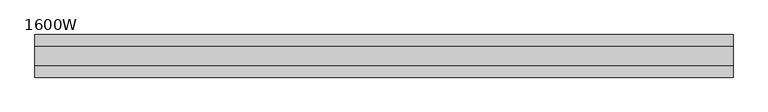
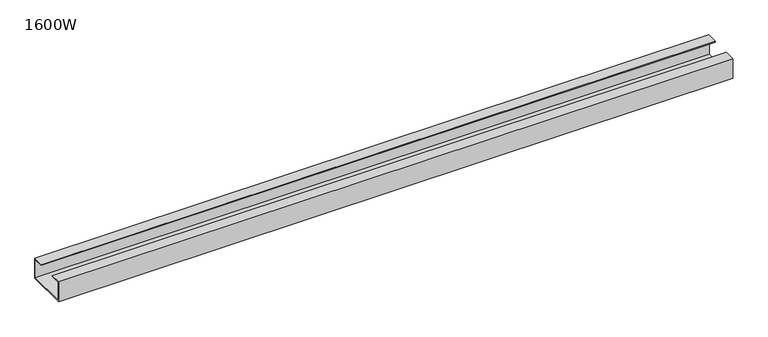
"""IFC4 building model written with IfcOpenShell, lengths in millimetres: furniture geometry, 1600W."""

from ifc_helpers import new_model, si_unit, frame, origin, place, context, project, spatial, polyline, outline, extrude, source, transform, mapped, element, save


def furniture_1600w_3caea36b(model_context):
    return source(origin(), model_context, "Body", "SweptSolid", [
        extrude(outline(polyline([(-47.3, 667.0), (-47.3, 715.0), (-22.0, 715.0), (-22.0, 713.0), (-45.3, 713.0), (-45.3, 669.0), (45.3, 669.0), (45.3, 713.0), (22.0, 713.0), (22.0, 715.0), (47.3, 715.0), (47.3, 667.0), (-47.3, 667.0)])), frame((-775.0, 0.0, 0.0), z_axis=(1.0, 0.0, 0.0), x_axis=(0.0, 1.0, 0.0)), (0.0, 0.0, 1.0), 1550.0),
    ])


if __name__ == "__main__":
    model = new_model("IFC4")
    model_context = context("Model", 3, world=origin())
    ifc_project = project(units=[si_unit("LENGTHUNIT", "METRE", prefix="MILLI")], contexts=[model_context])
    site = spatial("IfcSite", under=ifc_project)
    building = spatial("IfcBuilding", under=site)
    placement = place(None, origin())
    furniture_1600w_shape = furniture_1600w_3caea36b(model_context)
    element("IfcFurniture", 1, ObjectType="1600W", at=placement, inside=building, context=model_context, shape_type="MappedRepresentation", body=[
        mapped(furniture_1600w_shape, transform((0.0, 0.0, 0.0), x_axis=(1.0, 0.0, 0.0), y_axis=(0.0, 1.0, 0.0), z_axis=(0.0, 0.0, 1.0))),
    ])
    save(model, "model.ifc")
